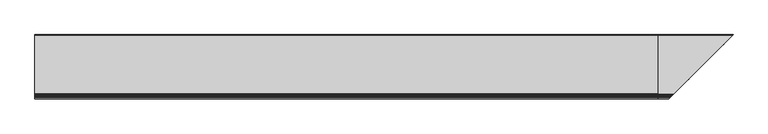
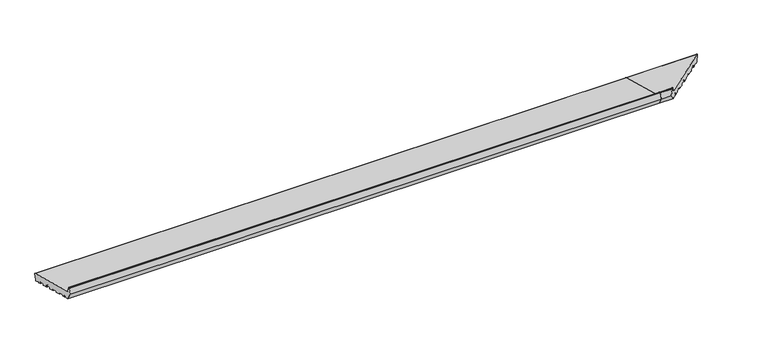
"""IFC4 building model written with IfcOpenShell, lengths in millimetres: proxy geometry."""

from ifc_helpers import new_model, si_unit, point, frame, frame_2d, origin, place, context, project, spatial, polyline, circle_curve, ellipse_curve, trimmed, segment, composite_curve, outline, extrude, source, transform, mapped, element, save
from ifc_brep_helpers import plane_surface, cylinder_surface, revolved_surface, advanced_brep


def generic_models_9e2a3a71(model_context):
    return source(origin(), model_context, "Body", "SolidModel", [
        advanced_brep(
        [(2631.0, 24.3497968, 5.5107678), (2631.0, 21.6330192, 6.2387261), (2631.0, 7.4647895, 14.8261724), (2631.0, 5.9805337, 14.2298107), (2631.0, 5.0312803, 10.6871487), (2631.0, 3.8065354, 9.9800419), (2631.0, -4.886797, 12.3094133), (2631.0, -5.5939038, 13.5341582), (2631.0, -4.5586276, 17.3978615), (2631.0, -5.2657344, 18.6226064), (2631.0, -28.4479542, 24.8342634), (2631.0, -29.6726991, 24.1271567), (2631.0, -30.7079753, 20.2634534), (2631.0, -31.9327202, 19.5563466), (2631.0, -54.1490142, 25.5091846), (2631.0, -54.856121, 26.7339295), (2631.0, -53.8208448, 30.5976328), (2631.0, -54.5279516, 31.8223777), (2631.0, -77.7101714, 38.0340347), (2631.0, -78.9349163, 37.326928), (2631.0, -79.9701924, 33.4632247), (2631.0, -81.1949373, 32.7561179), (2631.0, -103.4112313, 38.7089559), (2631.0, -104.1183381, 39.9337008), (2631.0, -103.0830619, 43.7974041), (2631.0, -103.7901687, 45.022149), (2631.0, -126.9723885, 51.233806), (2631.0, -128.1971334, 50.5266993), (2631.0, -129.2324096, 46.662996), (2631.0, -130.4571545, 45.9558892), (2631.0, -152.6734485, 51.9087272), (2631.0, -153.3805552, 53.1334721), (2631.0, -152.3452791, 56.9971754), (2631.0, -153.0523858, 58.2219203), (2631.0, -176.2346057, 64.4335773), (2631.0, -177.4593505, 63.7264706), (2631.0, -178.4946267, 59.8627673), (2631.0, -179.7193716, 59.1556605), (2631.0, -192.2764073, 62.5203081), (2631.0, -192.9835141, 63.7450529), (2631.0, -191.9482379, 67.6087562), (2631.0, -192.6553447, 68.8335011), (2631.0, -202.314603, 71.4216916), (2631.0, -203.5393479, 70.7145848), (2631.0, -204.574624, 66.8508815), (2631.0, -205.7993689, 66.1437747), (2631.0, -219.3223305, 69.7672413), (2631.0, -237.0, 100.3858631), (2631.0, -230.4291321, 124.908676), (2631.0, -228.9802434, 126.0204474), (2631.0, -225.6368689, 126.0204474), (2631.0, -224.1879801, 124.908676), (2631.0, -219.4052841, 107.0594112), (2631.0, -215.1626434, 102.8167705), (2631.0, 32.6320062, 36.4203942), (2631.0, 34.7533266, 32.7461596), (2631.0, 28.0240314, 7.6320881), (2941.0240314, 28.0240314, 7.6320881), (2937.3497968, 24.3497968, 5.5107678), (2947.7533266, 34.7533266, 32.7461596), (2945.6320062, 32.6320062, 36.4203942), (2697.8373566, -215.1626434, 102.8167705), (2693.5947159, -219.4052841, 107.0594112), (2688.8120199, -224.1879801, 124.908676), (2687.3631311, -225.6368689, 126.0204474), (2684.0197566, -228.9802434, 126.0204474), (2682.5708679, -230.4291321, 124.908676), (2676.0, -237.0, 100.3858631), (2693.6776695, -219.3223305, 69.7672413), (2707.2006311, -205.7993689, 66.1437747), (2708.425376, -204.574624, 66.8508815), (2709.4606521, -203.5393479, 70.7145848), (2710.685397, -202.314603, 71.4216916), (2720.3446553, -192.6553447, 68.8335011), (2721.0517621, -191.9482379, 67.6087562), (2720.0164859, -192.9835141, 63.7450529), (2720.7235927, -192.2764073, 62.5203081), (2733.2806284, -179.7193716, 59.1556605), (2734.5053733, -178.4946267, 59.8627673), (2735.5406495, -177.4593505, 63.7264706), (2736.7653943, -176.2346057, 64.4335773), (2934.6330192, 21.6330192, 6.2387261), (2759.9476142, -153.0523858, 58.2219203), (2760.3265515, -152.6734485, 51.9087272), (2759.6194448, -153.3805552, 53.1334721), (2760.6547209, -152.3452791, 56.9971754), (2782.5428455, -130.4571545, 45.9558892), (2783.7675904, -129.2324096, 46.662996), (2784.8028666, -128.1971334, 50.5266993), (2786.0276115, -126.9723885, 51.233806), (2809.2098313, -103.7901687, 45.022149), (2809.9169381, -103.0830619, 43.7974041), (2808.8816619, -104.1183381, 39.9337008), (2809.5887687, -103.4112313, 38.7089559), (2831.8050627, -81.1949373, 32.7561179), (2833.0298076, -79.9701924, 33.4632247), (2834.0650837, -78.9349163, 37.326928), (2835.2898286, -77.7101714, 38.0340347), (2858.4720484, -54.5279516, 31.8223777), (2859.1791552, -53.8208448, 30.5976328), (2858.143879, -54.856121, 26.7339295), (2858.8509858, -54.1490142, 25.5091846), (2881.0672798, -31.9327202, 19.5563466), (2882.2920247, -30.7079753, 20.2634534), (2883.3273009, -29.6726991, 24.1271567), (2884.5520458, -28.4479542, 24.8342634), (2907.7342656, -5.2657344, 18.6226064), (2908.4413724, -4.5586276, 17.3978615), (2907.4060962, -5.5939038, 13.5341582), (2908.113203, -4.886797, 12.3094133), (2916.8065354, 3.8065354, 9.9800419), (2918.0312803, 5.0312803, 10.6871487), (2918.9805337, 5.9805337, 14.2298107), (2920.4647895, 7.4647895, 14.8261724)],
        [
            (0, 1),
            (1, 2),
            (2, 3, circle_curve(frame((2631.0, 6.9464595, 13.9709917), z_axis=(1.0, 0.0, 0.0), x_axis=(0.0, 1.0, 0.0)), 1.0)),
            (3, 4),
            (4, 5, circle_curve(frame((2631.0, 4.0653544, 10.9459677), z_axis=(-1.0, 0.0, 0.0), x_axis=(0.0, 1.0, 0.0)), 1.0)),
            (5, 6),
            (6, 7, circle_curve(frame((2631.0, -4.627978, 13.2753391), z_axis=(-1.0, 0.0, 0.0), x_axis=(0.0, 1.0, 0.0)), 1.0)),
            (7, 8),
            (8, 9, circle_curve(frame((2631.0, -5.5245535, 17.6566805), z_axis=(1.0, 0.0, 0.0), x_axis=(0.0, 1.0, 0.0)), 1.0)),
            (9, 10),
            (10, 11, circle_curve(frame((2631.0, -28.7067733, 23.8683376), z_axis=(1.0, 0.0, 0.0), x_axis=(0.0, 1.0, 0.0)), 1.0)),
            (11, 12),
            (12, 13, circle_curve(frame((2631.0, -31.6739011, 20.5222724), z_axis=(-1.0, 0.0, 0.0), x_axis=(0.0, 1.0, 0.0)), 1.0)),
            (13, 14),
            (14, 15, circle_curve(frame((2631.0, -53.8901951, 26.4751104), z_axis=(-1.0, 0.0, 0.0), x_axis=(0.0, 1.0, 0.0)), 1.0)),
            (15, 16),
            (16, 17, circle_curve(frame((2631.0, -54.7867706, 30.8564518), z_axis=(1.0, 0.0, 0.0), x_axis=(0.0, 1.0, 0.0)), 1.0)),
            (17, 18),
            (18, 19, circle_curve(frame((2631.0, -77.9689904, 37.0681089), z_axis=(1.0, 0.0, 0.0), x_axis=(0.0, 1.0, 0.0)), 1.0)),
            (19, 20),
            (20, 21, circle_curve(frame((2631.0, -80.9361183, 33.7220437), z_axis=(-1.0, 0.0, 0.0), x_axis=(0.0, 1.0, 0.0)), 1.0)),
            (21, 22),
            (22, 23, circle_curve(frame((2631.0, -103.1524123, 39.6748817), z_axis=(-1.0, 0.0, 0.0), x_axis=(0.0, 1.0, 0.0)), 1.0)),
            (23, 24),
            (24, 25, circle_curve(frame((2631.0, -104.0489877, 44.0562231), z_axis=(1.0, 0.0, 0.0), x_axis=(0.0, 1.0, 0.0)), 1.0)),
            (25, 26),
            (26, 27, circle_curve(frame((2631.0, -127.2312076, 50.2678802), z_axis=(1.0, 0.0, 0.0), x_axis=(0.0, 1.0, 0.0)), 1.0)),
            (27, 28),
            (28, 29, circle_curve(frame((2631.0, -130.1983354, 46.921815), z_axis=(-1.0, 0.0, 0.0), x_axis=(0.0, 1.0, 0.0)), 1.0)),
            (29, 30),
            (30, 31, circle_curve(frame((2631.0, -152.4146294, 52.874653), z_axis=(-1.0, 0.0, 0.0), x_axis=(0.0, 1.0, 0.0)), 1.0)),
            (31, 32),
            (32, 33, circle_curve(frame((2631.0, -153.3112049, 57.2559944), z_axis=(1.0, 0.0, 0.0), x_axis=(0.0, 1.0, 0.0)), 1.0)),
            (33, 34),
            (34, 35, circle_curve(frame((2631.0, -176.4934247, 63.4676515), z_axis=(1.0, 0.0, 0.0), x_axis=(0.0, 1.0, 0.0)), 1.0)),
            (35, 36),
            (36, 37, circle_curve(frame((2631.0, -179.4605525, 60.1215863), z_axis=(-1.0, 0.0, 0.0), x_axis=(0.0, 1.0, 0.0)), 1.0)),
            (37, 38),
            (38, 39, circle_curve(frame((2631.0, -192.0175883, 63.4862339), z_axis=(-1.0, 0.0, 0.0), x_axis=(0.0, 1.0, 0.0)), 1.0)),
            (39, 40),
            (40, 41, circle_curve(frame((2631.0, -192.9141638, 67.8675753), z_axis=(1.0, 0.0, 0.0), x_axis=(0.0, 1.0, 0.0)), 1.0)),
            (41, 42),
            (42, 43, circle_curve(frame((2631.0, -202.573422, 70.4557657), z_axis=(1.0, 0.0, 0.0), x_axis=(0.0, 1.0, 0.0)), 1.0)),
            (43, 44),
            (44, 45, circle_curve(frame((2631.0, -205.5405499, 67.1097005), z_axis=(-1.0, 0.0, 0.0), x_axis=(0.0, 1.0, 0.0)), 1.0)),
            (45, 46),
            (46, 47),
            (47, 48),
            (48, 49, circle_curve(frame((2631.0, -228.9802434, 124.5204474), z_axis=(-1.0, 0.0, 0.0), x_axis=(0.0, 1.0, 0.0)), 1.5)),
            (49, 50),
            (50, 51, circle_curve(frame((2631.0, -225.6368689, 124.5204474), z_axis=(-1.0, 0.0, 0.0), x_axis=(0.0, 1.0, 0.0)), 1.5)),
            (51, 52),
            (52, 53, circle_curve(frame((2631.0, -213.6097291, 108.6123254), z_axis=(1.0, 0.0, 0.0), x_axis=(0.0, 1.0, 0.0)), 6.0)),
            (53, 54),
            (54, 55, circle_curve(frame((2631.0, 31.8555491, 33.5226168), z_axis=(-1.0, 0.0, 0.0), x_axis=(0.0, 1.0, 0.0)), 3.0)),
            (55, 56),
            (56, 0, circle_curve(frame((2631.0, 25.1262539, 8.4085453), z_axis=(-1.0, 0.0, 0.0), x_axis=(0.0, 1.0, 0.0)), 3.0)),
            (56, 57),
            (57, 58, ellipse_curve(frame((2938.1262539, 25.1262539, 8.4085453), z_axis=(-0.707106781186548, 0.7071067811865471, 0.0), x_axis=(0.707106781186547, 0.707106781186548, 0.0)), 4.2426407, 3.0)),
            (58, 0),
            (55, 59),
            (59, 57),
            (54, 60),
            (60, 59, ellipse_curve(frame((2944.8555491, 31.8555491, 33.5226168), z_axis=(-0.707106781186548, 0.7071067811865471, 0.0), x_axis=(0.707106781186547, 0.707106781186548, 0.0)), 4.2426407, 3.0)),
            (53, 61),
            (61, 60),
            (52, 62),
            (62, 61, ellipse_curve(frame((2699.3902709, -213.6097291, 108.6123254), z_axis=(0.707106781186548, -0.7071067811865471, 0.0), x_axis=(-0.707106781186547, -0.707106781186548, 0.0)), 8.4852814, 6.0)),
            (51, 63),
            (63, 62),
            (50, 64),
            (64, 63, ellipse_curve(frame((2687.3631311, -225.6368689, 124.5204474), z_axis=(-0.707106781186548, 0.7071067811865471, 0.0), x_axis=(0.707106781186547, 0.707106781186548, 0.0)), 2.1213203, 1.5)),
            (49, 65),
            (65, 64),
            (48, 66),
            (66, 65, ellipse_curve(frame((2684.0197566, -228.9802434, 124.5204474), z_axis=(-0.707106781186548, 0.7071067811865471, 0.0), x_axis=(0.707106781186547, 0.707106781186548, 0.0)), 2.1213203, 1.5)),
            (47, 67),
            (67, 66),
            (46, 68),
            (68, 67),
            (45, 69),
            (69, 68),
            (44, 70),
            (70, 69, ellipse_curve(frame((2707.4594501, -205.5405499, 67.1097005), z_axis=(-0.707106781186548, 0.7071067811865471, 0.0), x_axis=(0.707106781186547, 0.707106781186548, 0.0)), 1.4142136, 1.0)),
            (43, 71),
            (71, 70),
            (42, 72),
            (72, 71, ellipse_curve(frame((2710.426578, -202.573422, 70.4557657), z_axis=(0.707106781186548, -0.7071067811865471, 0.0), x_axis=(-0.707106781186547, -0.707106781186548, 0.0)), 1.4142136, 1.0)),
            (41, 73),
            (73, 72),
            (40, 74),
            (74, 73, ellipse_curve(frame((2720.0858362, -192.9141638, 67.8675753), z_axis=(0.707106781186548, -0.7071067811865471, 0.0), x_axis=(-0.707106781186547, -0.707106781186548, 0.0)), 1.4142136, 1.0)),
            (39, 75),
            (75, 74),
            (38, 76),
            (76, 75, ellipse_curve(frame((2720.9824117, -192.0175883, 63.4862339), z_axis=(-0.707106781186548, 0.7071067811865471, 0.0), x_axis=(0.707106781186547, 0.707106781186548, 0.0)), 1.4142136, 1.0)),
            (37, 77),
            (77, 76),
            (36, 78),
            (78, 77, ellipse_curve(frame((2733.5394475, -179.4605525, 60.1215863), z_axis=(-0.707106781186548, 0.7071067811865471, 0.0), x_axis=(0.707106781186547, 0.707106781186548, 0.0)), 1.4142136, 1.0)),
            (35, 79),
            (79, 78),
            (34, 80),
            (80, 79, ellipse_curve(frame((2736.5065753, -176.4934247, 63.4676515), z_axis=(0.707106781186548, -0.7071067811865471, 0.0), x_axis=(-0.707106781186547, -0.707106781186548, 0.0)), 1.4142136, 1.0)),
            (58, 81),
            (81, 1),
            (33, 82),
            (82, 80),
            (30, 83),
            (83, 84, ellipse_curve(frame((2760.5853706, -152.4146294, 52.874653), z_axis=(-0.707106781186548, 0.7071067811865471, 0.0), x_axis=(0.707106781186547, 0.707106781186548, 0.0)), 1.4142136, 1.0)),
            (84, 31),
            (84, 85),
            (85, 32),
            (85, 82, ellipse_curve(frame((2759.6887951, -153.3112049, 57.2559944), z_axis=(0.707106781186548, -0.7071067811865471, 0.0), x_axis=(-0.707106781186547, -0.707106781186548, 0.0)), 1.4142136, 1.0)),
            (29, 86),
            (86, 83),
            (28, 87),
            (87, 86, ellipse_curve(frame((2782.8016646, -130.1983354, 46.921815), z_axis=(-0.707106781186548, 0.7071067811865471, 0.0), x_axis=(0.707106781186547, 0.707106781186548, 0.0)), 1.4142136, 1.0)),
            (27, 88),
            (88, 87),
            (26, 89),
            (89, 88, ellipse_curve(frame((2785.7687924, -127.2312076, 50.2678802), z_axis=(0.707106781186548, -0.7071067811865471, 0.0), x_axis=(-0.707106781186547, -0.707106781186548, 0.0)), 1.4142136, 1.0)),
            (25, 90),
            (90, 89),
            (90, 91, ellipse_curve(frame((2808.9510123, -104.0489877, 44.0562231), z_axis=(-0.707106781186548, 0.7071067811865471, 0.0), x_axis=(-0.707106781186547, -0.707106781186548, 0.0)), 1.4142136, 1.0)),
            (91, 92),
            (92, 93, ellipse_curve(frame((2809.8475877, -103.1524123, 39.6748817), z_axis=(0.707106781186548, -0.7071067811865471, 0.0), x_axis=(0.707106781186547, 0.707106781186548, 0.0)), 1.4142136, 1.0)),
            (93, 94),
            (94, 95, ellipse_curve(frame((2832.0638817, -80.9361183, 33.7220437), z_axis=(0.707106781186548, -0.7071067811865471, 0.0), x_axis=(0.707106781186547, 0.707106781186548, 0.0)), 1.4142136, 1.0)),
            (95, 96),
            (96, 97, ellipse_curve(frame((2835.0310096, -77.9689904, 37.0681089), z_axis=(-0.707106781186548, 0.7071067811865471, 0.0), x_axis=(-0.707106781186547, -0.707106781186548, 0.0)), 1.4142136, 1.0)),
            (97, 98),
            (98, 99, ellipse_curve(frame((2858.2132294, -54.7867706, 30.8564518), z_axis=(-0.707106781186548, 0.7071067811865471, 0.0), x_axis=(-0.707106781186547, -0.707106781186548, 0.0)), 1.4142136, 1.0)),
            (99, 100),
            (100, 101, ellipse_curve(frame((2859.1098049, -53.8901951, 26.4751104), z_axis=(0.707106781186548, -0.7071067811865471, 0.0), x_axis=(0.707106781186547, 0.707106781186548, 0.0)), 1.4142136, 1.0)),
            (101, 102),
            (102, 103, ellipse_curve(frame((2881.3260989, -31.6739011, 20.5222724), z_axis=(0.707106781186548, -0.7071067811865471, 0.0), x_axis=(0.707106781186547, 0.707106781186548, 0.0)), 1.4142136, 1.0)),
            (103, 104),
            (104, 105, ellipse_curve(frame((2884.2932267, -28.7067733, 23.8683376), z_axis=(-0.707106781186548, 0.7071067811865471, 0.0), x_axis=(-0.707106781186547, -0.707106781186548, 0.0)), 1.4142136, 1.0)),
            (105, 106),
            (106, 107, ellipse_curve(frame((2907.4754465, -5.5245535, 17.6566805), z_axis=(-0.707106781186548, 0.7071067811865471, 0.0), x_axis=(-0.707106781186547, -0.707106781186548, 0.0)), 1.4142136, 1.0)),
            (107, 108),
            (108, 109, ellipse_curve(frame((2908.372022, -4.627978, 13.2753391), z_axis=(0.707106781186548, -0.7071067811865471, 0.0), x_axis=(0.707106781186547, 0.707106781186548, 0.0)), 1.4142136, 1.0)),
            (109, 110),
            (110, 111, ellipse_curve(frame((2917.0653544, 4.0653544, 10.9459677), z_axis=(0.707106781186548, -0.7071067811865471, 0.0), x_axis=(0.707106781186547, 0.707106781186548, 0.0)), 1.4142136, 1.0)),
            (111, 112),
            (112, 113, ellipse_curve(frame((2919.9464595, 6.9464595, 13.9709917), z_axis=(-0.707106781186548, 0.7071067811865471, 0.0), x_axis=(-0.707106781186547, -0.707106781186548, 0.0)), 1.4142136, 1.0)),
            (113, 81),
            (17, 98),
            (97, 18),
            (96, 19),
            (95, 20),
            (94, 21),
            (93, 22),
            (92, 23),
            (91, 24),
            (9, 106),
            (105, 10),
            (104, 11),
            (103, 12),
            (102, 13),
            (101, 14),
            (100, 15),
            (99, 16),
            (113, 2),
            (112, 3),
            (111, 4),
            (110, 5),
            (109, 6),
            (108, 7),
            (107, 8),
        ],
        [
            plane_surface(frame((2631.0, 0.0, 0.0), z_axis=(-1.0, 0.0, 0.0), x_axis=(0.0, 0.0, 1.0))),
            cylinder_surface(frame((2948.4826586, 25.1262539, 8.4085453), z_axis=(1.0, 0.0, 0.0), x_axis=(0.0, 1.0, 0.0)), 3.0),
            plane_surface(frame((2948.4826586, 34.7533266, 32.7461596), z_axis=(0.0, 0.9659258262890676, -0.2588190451025235), x_axis=(-1.0, 0.0, 0.0))),
            cylinder_surface(frame((2948.4826586, 31.8555491, 33.5226168), z_axis=(1.0, 0.0, 0.0), x_axis=(0.0, 1.0, 0.0)), 3.0),
            plane_surface(frame((2948.4826586, -215.1626434, 102.8167705), z_axis=(0.0, 0.2588190451025206, 0.9659258262890683), x_axis=(-1.0, 0.0, 0.0))),
            revolved_surface(polyline([(2631.0, -207.6097291, 108.6123254), (2705.390270918216, -207.6097291, 108.6123254)]), (2948.4826586, -213.6097291, 108.6123254), (-1.0, 0.0, 0.0)),
            plane_surface(frame((2948.4826586, -224.1879801, 124.908676), z_axis=(0.0, 0.96592582628907, 0.2588190451025146), x_axis=(-1.0, 0.0, 0.0))),
            cylinder_surface(frame((2948.4826586, -225.6368689, 124.5204474), z_axis=(1.0, 0.0, 0.0), x_axis=(0.0, 1.0, 0.0)), 1.5),
            plane_surface(frame((2948.4826586, -228.9802434, 126.0204474), z_axis=(0.0, 0.0, 1.0), x_axis=(-1.0, 0.0, 0.0))),
            cylinder_surface(frame((2948.4826586, -228.9802434, 124.5204474), z_axis=(1.0, 0.0, 0.0), x_axis=(0.0, 1.0, 0.0)), 1.5),
            plane_surface(frame((2948.4826586, -237.0, 100.3858631), z_axis=(0.0, -0.9659258262890683, 0.2588190451025209), x_axis=(-1.0, 0.0, 0.0))),
            plane_surface(frame((2948.4826586, -219.3223305, 69.7672413), z_axis=(0.0, -0.8660254037844384, -0.5000000000000007), x_axis=(-1.0, 0.0, 0.0))),
            plane_surface(frame((2948.4826586, -205.7993689, 66.1437747), z_axis=(0.0, -0.2588190451025184, -0.965925826289069), x_axis=(-1.0, 0.0, 0.0))),
            cylinder_surface(frame((2948.4826586, -205.5405499, 67.1097005), z_axis=(1.0, 0.0, 0.0), x_axis=(0.0, 1.0, 0.0)), 1.0),
            plane_surface(frame((2948.4826586, -203.5393479, 70.7145848), z_axis=(0.0, 0.9659258262890633, -0.25881904510253945), x_axis=(-1.0, 0.0, 0.0))),
            revolved_surface(polyline([(2631.0, -201.573422, 70.4557657), (2711.4265780266064, -201.573422, 70.4557657)]), (2948.4826586, -202.573422, 70.4557657), (-1.0, 0.0, 0.0)),
            plane_surface(frame((2948.4826586, -192.6553447, 68.8335011), z_axis=(0.0, -0.25881904510251835, -0.965925826289069), x_axis=(-1.0, 0.0, 0.0))),
            revolved_surface(polyline([(2631.0, -191.9141638, 67.8675753), (2721.0858362266063, -191.9141638, 67.8675753)]), (2948.4826586, -192.9141638, 67.8675753), (-1.0, 0.0, 0.0)),
            plane_surface(frame((2948.4826586, -192.9835141, 63.7450529), z_axis=(0.0, -0.9659258262890634, 0.2588190451025389), x_axis=(-1.0, 0.0, 0.0))),
            cylinder_surface(frame((2948.4826586, -192.0175883, 63.4862339), z_axis=(1.0, 0.0, 0.0), x_axis=(0.0, 1.0, 0.0)), 1.0),
            plane_surface(frame((2948.4826586, -179.7193716, 59.1556605), z_axis=(0.0, -0.2588190451025211, -0.9659258262890682), x_axis=(-1.0, 0.0, 0.0))),
            cylinder_surface(frame((2948.4826586, -179.4605525, 60.1215863), z_axis=(1.0, 0.0, 0.0), x_axis=(0.0, 1.0, 0.0)), 1.0),
            plane_surface(frame((2948.4826586, -177.4593505, 63.7264706), z_axis=(0.0, 0.9659258262890634, -0.2588190451025389), x_axis=(-1.0, 0.0, 0.0))),
            revolved_surface(polyline([(2631.0, -175.4934247, 63.4676515), (2737.5065753266063, -175.4934247, 63.4676515)]), (2948.4826586, -176.4934247, 63.4676515), (-1.0, 0.0, 0.0)),
            plane_surface(frame((2948.4826586, 24.3497968, 5.5107678), z_axis=(0.0, -0.2588190451025044, -0.9659258262890728), x_axis=(-1.0, 0.0, 0.0))),
            plane_surface(frame((2948.4826586, -153.0523858, 58.2219203), z_axis=(0.0, -0.2588190451025228, -0.9659258262890678), x_axis=(-1.0, 0.0, 0.0))),
            cylinder_surface(frame((2948.4826586, -152.4146294, 52.874653), z_axis=(1.0, 0.0, 0.0), x_axis=(0.0, 1.0, 0.0)), 1.0),
            plane_surface(frame((2948.4826586, -153.3805552, 53.1334721), z_axis=(0.0, -0.9659258262890634, 0.2588190451025389), x_axis=(-1.0, 0.0, 0.0))),
            revolved_surface(polyline([(2631.0, -152.3112049, 57.2559944), (2760.6887951266062, -152.3112049, 57.2559944)]), (2948.4826586, -153.3112049, 57.2559944), (-1.0, 0.0, 0.0)),
            plane_surface(frame((2948.4826586, -130.4571545, 45.9558892), z_axis=(0.0, -0.2588190451025197, -0.9659258262890685), x_axis=(-1.0, 0.0, 0.0))),
            cylinder_surface(frame((2948.4826586, -130.1983354, 46.921815), z_axis=(1.0, 0.0, 0.0), x_axis=(0.0, 1.0, 0.0)), 1.0),
            plane_surface(frame((2948.4826586, -128.1971334, 50.5266993), z_axis=(0.0, 0.9659258262890634, -0.2588190451025389), x_axis=(-1.0, 0.0, 0.0))),
            revolved_surface(polyline([(2631.0, -126.2312076, 50.2678802), (2786.7687924266065, -126.2312076, 50.2678802)]), (2948.4826586, -127.2312076, 50.2678802), (-1.0, 0.0, 0.0)),
            plane_surface(frame((2948.4826586, -103.7901687, 45.022149), z_axis=(0.0, -0.2588190451025182, -0.965925826289069), x_axis=(-1.0, 0.0, 0.0))),
            plane_surface(frame((2894.2588285, -18.7411715, 0.0), z_axis=(0.707106781186548, -0.7071067811865471, 0.0), x_axis=(0.0, 0.0, 1.0))),
            plane_surface(frame((2948.4826586, -54.5279516, 31.8223777), z_axis=(0.0, -0.2588190451025182, -0.965925826289069), x_axis=(-1.0, 0.0, 0.0))),
            revolved_surface(polyline([(2631.0, -76.9689904, 37.0681089), (2836.031009626606, -76.9689904, 37.0681089)]), (2948.4826586, -77.9689904, 37.0681089), (-1.0, 0.0, 0.0)),
            plane_surface(frame((2948.4826586, -78.9349163, 37.326928), z_axis=(0.0, 0.9659258262890623, -0.2588190451025431), x_axis=(-1.0, 0.0, 0.0))),
            cylinder_surface(frame((2948.4826586, -80.9361183, 33.7220437), z_axis=(1.0, 0.0, 0.0), x_axis=(0.0, 1.0, 0.0)), 1.0),
            plane_surface(frame((2948.4826586, -81.1949373, 32.7561179), z_axis=(0.0, -0.2588190451025201, -0.9659258262890685), x_axis=(-1.0, 0.0, 0.0))),
            cylinder_surface(frame((2948.4826586, -103.1524123, 39.6748817), z_axis=(1.0, 0.0, 0.0), x_axis=(0.0, 1.0, 0.0)), 1.0),
            plane_surface(frame((2948.4826586, -104.1183381, 39.9337008), z_axis=(0.0, -0.9659258262890634, 0.2588190451025389), x_axis=(-1.0, 0.0, 0.0))),
            revolved_surface(polyline([(2631.0, -103.0489877, 44.0562231), (2809.9510123266064, -103.0489877, 44.0562231)]), (2948.4826586, -104.0489877, 44.0562231), (-1.0, 0.0, 0.0)),
            plane_surface(frame((2948.4826586, -5.2657344, 18.6226064), z_axis=(0.0, -0.25881904510252035, -0.9659258262890684), x_axis=(-1.0, 0.0, 0.0))),
            revolved_surface(polyline([(2631.0, -27.7067733, 23.8683376), (2885.2932267266065, -27.7067733, 23.8683376)]), (2948.4826586, -28.7067733, 23.8683376), (-1.0, 0.0, 0.0)),
            plane_surface(frame((2948.4826586, -29.6726991, 24.1271567), z_axis=(0.0, 0.9659258262890703, -0.2588190451025135), x_axis=(-1.0, 0.0, 0.0))),
            cylinder_surface(frame((2948.4826586, -31.6739011, 20.5222724), z_axis=(1.0, 0.0, 0.0), x_axis=(0.0, 1.0, 0.0)), 1.0),
            plane_surface(frame((2948.4826586, -31.9327202, 19.5563466), z_axis=(0.0, -0.2588190451025211, -0.9659258262890682), x_axis=(-1.0, 0.0, 0.0))),
            cylinder_surface(frame((2948.4826586, -53.8901951, 26.4751104), z_axis=(1.0, 0.0, 0.0), x_axis=(0.0, 1.0, 0.0)), 1.0),
            plane_surface(frame((2948.4826586, -54.856121, 26.7339295), z_axis=(0.0, -0.9659258262890782, 0.2588190451024839), x_axis=(-1.0, 0.0, 0.0))),
            revolved_surface(polyline([(2631.0, -53.7867706, 30.8564518), (2859.213229426606, -53.7867706, 30.8564518)]), (2948.4826586, -54.7867706, 30.8564518), (-1.0, 0.0, 0.0)),
            plane_surface(frame((2948.4826586, 21.6330192, 6.2387261), z_axis=(0.0, -0.51832998343298, -0.8551806991942502), x_axis=(-1.0, 0.0, 0.0))),
            revolved_surface(polyline([(2631.0, 7.9464595, 13.9709917), (2920.9464595266063, 7.9464595, 13.9709917)]), (2948.4826586, 6.9464595, 13.9709917), (-1.0, 0.0, 0.0)),
            plane_surface(frame((2948.4826586, 5.9805337, 14.2298107), z_axis=(0.0, 0.9659258262890684, -0.2588190451025206), x_axis=(-1.0, 0.0, 0.0))),
            cylinder_surface(frame((2948.4826586, 4.0653544, 10.9459677), z_axis=(1.0, 0.0, 0.0), x_axis=(0.0, 1.0, 0.0)), 1.0),
            plane_surface(frame((2948.4826586, 3.8065354, 9.9800419), z_axis=(0.0, -0.2588190451025218, -0.9659258262890681), x_axis=(-1.0, 0.0, 0.0))),
            cylinder_surface(frame((2948.4826586, -4.627978, 13.2753391), z_axis=(1.0, 0.0, 0.0), x_axis=(0.0, 1.0, 0.0)), 1.0),
            plane_surface(frame((2948.4826586, -5.5939038, 13.5341582), z_axis=(0.0, -0.9659258262890701, 0.25881904510251386), x_axis=(-1.0, 0.0, 0.0))),
            revolved_surface(polyline([(2631.0, -4.5245535, 17.6566805), (2908.4754465266064, -4.5245535, 17.6566805)]), (2948.4826586, -5.5245535, 17.6566805), (-1.0, 0.0, 0.0)),
        ],
        [
            (0, [[1, 2, 3, 4, 5, 6, 7, 8, 9, 10, 11, 12, 13, 14, 15, 16, 17, 18, 19, 20, 21, 22, 23, 24, 25, 26, 27, 28, 29, 30, 31, 32, 33, 34, 35, 36, 37, 38, 39, 40, 41, 42, 43, 44, 45, 46, 47, 48, 49, 50, 51, 52, 53, 54, 55, 56, 57]]),
            (1, [[58, 59, 60, -57]]),
            (2, [[61, 62, -58, -56]]),
            (3, [[63, 64, -61, -55]]),
            (4, [[65, 66, -63, -54]]),
            (5, [[67, 68, -65, -53]]),
            (6, [[69, 70, -67, -52]]),
            (7, [[71, 72, -69, -51]]),
            (8, [[73, 74, -71, -50]]),
            (9, [[75, 76, -73, -49]]),
            (10, [[77, 78, -75, -48]]),
            (11, [[79, 80, -77, -47]]),
            (12, [[81, 82, -79, -46]]),
            (13, [[83, 84, -81, -45]]),
            (14, [[85, 86, -83, -44]]),
            (15, [[87, 88, -85, -43]]),
            (16, [[89, 90, -87, -42]]),
            (17, [[91, 92, -89, -41]]),
            (18, [[93, 94, -91, -40]]),
            (19, [[95, 96, -93, -39]]),
            (20, [[97, 98, -95, -38]]),
            (21, [[99, 100, -97, -37]]),
            (22, [[101, 102, -99, -36]]),
            (23, [[103, 104, -101, -35]]),
            (24, [[-60, 105, 106, -1]]),
            (25, [[107, 108, -103, -34]]),
            (26, [[109, 110, 111, -31]]),
            (27, [[-111, 112, 113, -32]]),
            (28, [[-113, 114, -107, -33]]),
            (29, [[115, 116, -109, -30]]),
            (30, [[117, 118, -115, -29]]),
            (31, [[119, 120, -117, -28]]),
            (32, [[121, 122, -119, -27]]),
            (33, [[123, 124, -121, -26]]),
            (34, [[-62, -64, -66, -68, -70, -72, -74, -76, -78, -80, -82, -84, -86, -88, -90, -92, -94, -96, -98, -100, -102, -104, -108, -114, -112, -110, -116, -118, -120, -122, -124, 125, 126, 127, 128, 129, 130, 131, 132, 133, 134, 135, 136, 137, 138, 139, 140, 141, 142, 143, 144, 145, 146, 147, 148, -105, -59]]),
            (35, [[149, -132, 150, -18]]),
            (36, [[-150, -131, 151, -19]]),
            (37, [[-151, -130, 152, -20]]),
            (38, [[-152, -129, 153, -21]]),
            (39, [[-153, -128, 154, -22]]),
            (40, [[-154, -127, 155, -23]]),
            (41, [[-155, -126, 156, -24]]),
            (42, [[-156, -125, -123, -25]]),
            (43, [[157, -140, 158, -10]]),
            (44, [[-158, -139, 159, -11]]),
            (45, [[-159, -138, 160, -12]]),
            (46, [[-160, -137, 161, -13]]),
            (47, [[-161, -136, 162, -14]]),
            (48, [[-162, -135, 163, -15]]),
            (49, [[-163, -134, 164, -16]]),
            (50, [[-164, -133, -149, -17]]),
            (51, [[-106, -148, 165, -2]]),
            (52, [[-165, -147, 166, -3]]),
            (53, [[-166, -146, 167, -4]]),
            (54, [[-167, -145, 168, -5]]),
            (55, [[-168, -144, 169, -6]]),
            (56, [[-169, -143, 170, -7]]),
            (57, [[-170, -142, 171, -8]]),
            (58, [[-171, -141, -157, -9]]),
        ],
    ),
        extrude(outline(composite_curve([segment(polyline([(24.3497968, 5.5107678), (21.6330192, 6.2387261), (7.4647895, 14.8261724)]), True, "CONTINUOUS"), segment(trimmed(circle_curve(frame_2d((6.9464595, 13.9709917)), 1.0), [point((7.4647895, 14.8261724))], [point((5.9805337, 14.2298107))], True, "CARTESIAN"), True, "CONTINUOUS"), segment(polyline([(5.9805337, 14.2298107), (5.0312803, 10.6871487)]), True, "CONTINUOUS"), segment(trimmed(circle_curve(frame_2d((4.0653544, 10.9459677)), 1.0), [point((5.0312803, 10.6871487))], [point((3.8065354, 9.9800419))], False, "CARTESIAN"), True, "CONTINUOUS"), segment(polyline([(3.8065354, 9.9800419), (-4.886797, 12.3094133)]), True, "CONTINUOUS"), segment(trimmed(circle_curve(frame_2d((-4.627978, 13.2753391)), 1.0), [point((-4.886797, 12.3094133))], [point((-5.5939038, 13.5341582))], False, "CARTESIAN"), True, "CONTINUOUS"), segment(polyline([(-5.5939038, 13.5341582), (-4.5586276, 17.3978615)]), True, "CONTINUOUS"), segment(trimmed(circle_curve(frame_2d((-5.5245535, 17.6566805)), 1.0), [point((-4.5586276, 17.3978615))], [point((-5.2657344, 18.6226064))], True, "CARTESIAN"), True, "CONTINUOUS"), segment(polyline([(-5.2657344, 18.6226064), (-28.4479542, 24.8342634)]), True, "CONTINUOUS"), segment(trimmed(circle_curve(frame_2d((-28.7067733, 23.8683376)), 1.0), [point((-28.4479542, 24.8342634))], [point((-29.6726991, 24.1271567))], True, "CARTESIAN"), True, "CONTINUOUS"), segment(polyline([(-29.6726991, 24.1271567), (-30.7079753, 20.2634534)]), True, "CONTINUOUS"), segment(trimmed(circle_curve(frame_2d((-31.6739011, 20.5222724)), 1.0), [point((-30.7079753, 20.2634534))], [point((-31.9327202, 19.5563466))], False, "CARTESIAN"), True, "CONTINUOUS"), segment(polyline([(-31.9327202, 19.5563466), (-54.1490142, 25.5091846)]), True, "CONTINUOUS"), segment(trimmed(circle_curve(frame_2d((-53.8901951, 26.4751104)), 1.0), [point((-54.1490142, 25.5091846))], [point((-54.856121, 26.7339295))], False, "CARTESIAN"), True, "CONTINUOUS"), segment(polyline([(-54.856121, 26.7339295), (-53.8208448, 30.5976328)]), True, "CONTINUOUS"), segment(trimmed(circle_curve(frame_2d((-54.7867706, 30.8564518)), 1.0), [point((-53.8208448, 30.5976328))], [point((-54.5279516, 31.8223777))], True, "CARTESIAN"), True, "CONTINUOUS"), segment(polyline([(-54.5279516, 31.8223777), (-77.7101714, 38.0340347)]), True, "CONTINUOUS"), segment(trimmed(circle_curve(frame_2d((-77.9689904, 37.0681089)), 1.0), [point((-77.7101714, 38.0340347))], [point((-78.9349163, 37.326928))], True, "CARTESIAN"), True, "CONTINUOUS"), segment(polyline([(-78.9349163, 37.326928), (-79.9701924, 33.4632247)]), True, "CONTINUOUS"), segment(trimmed(circle_curve(frame_2d((-80.9361183, 33.7220437)), 1.0), [point((-79.9701924, 33.4632247))], [point((-81.1949373, 32.7561179))], False, "CARTESIAN"), True, "CONTINUOUS"), segment(polyline([(-81.1949373, 32.7561179), (-103.4112313, 38.7089559)]), True, "CONTINUOUS"), segment(trimmed(circle_curve(frame_2d((-103.1524123, 39.6748817)), 1.0), [point((-103.4112313, 38.7089559))], [point((-104.1183381, 39.9337008))], False, "CARTESIAN"), True, "CONTINUOUS"), segment(polyline([(-104.1183381, 39.9337008), (-103.0830619, 43.7974041)]), True, "CONTINUOUS"), segment(trimmed(circle_curve(frame_2d((-104.0489877, 44.0562231)), 1.0), [point((-103.0830619, 43.7974041))], [point((-103.7901687, 45.022149))], True, "CARTESIAN"), True, "CONTINUOUS"), segment(polyline([(-103.7901687, 45.022149), (-126.9723885, 51.233806)]), True, "CONTINUOUS"), segment(trimmed(circle_curve(frame_2d((-127.2312076, 50.2678802)), 1.0), [point((-126.9723885, 51.233806))], [point((-128.1971334, 50.5266993))], True, "CARTESIAN"), True, "CONTINUOUS"), segment(polyline([(-128.1971334, 50.5266993), (-129.2324096, 46.662996)]), True, "CONTINUOUS"), segment(trimmed(circle_curve(frame_2d((-130.1983354, 46.921815)), 1.0), [point((-129.2324096, 46.662996))], [point((-130.4571545, 45.9558892))], False, "CARTESIAN"), True, "CONTINUOUS"), segment(polyline([(-130.4571545, 45.9558892), (-152.6734485, 51.9087272)]), True, "CONTINUOUS"), segment(trimmed(circle_curve(frame_2d((-152.4146294, 52.874653)), 1.0), [point((-152.6734485, 51.9087272))], [point((-153.3805552, 53.1334721))], False, "CARTESIAN"), True, "CONTINUOUS"), segment(polyline([(-153.3805552, 53.1334721), (-152.3452791, 56.9971754)]), True, "CONTINUOUS"), segment(trimmed(circle_curve(frame_2d((-153.3112049, 57.2559944)), 1.0), [point((-152.3452791, 56.9971754))], [point((-153.0523858, 58.2219203))], True, "CARTESIAN"), True, "CONTINUOUS"), segment(polyline([(-153.0523858, 58.2219203), (-176.2346057, 64.4335773)]), True, "CONTINUOUS"), segment(trimmed(circle_curve(frame_2d((-176.4934247, 63.4676515)), 1.0), [point((-176.2346057, 64.4335773))], [point((-177.4593505, 63.7264706))], True, "CARTESIAN"), True, "CONTINUOUS"), segment(polyline([(-177.4593505, 63.7264706), (-178.4946267, 59.8627673)]), True, "CONTINUOUS"), segment(trimmed(circle_curve(frame_2d((-179.4605525, 60.1215863)), 1.0), [point((-178.4946267, 59.8627673))], [point((-179.7193716, 59.1556605))], False, "CARTESIAN"), True, "CONTINUOUS"), segment(polyline([(-179.7193716, 59.1556605), (-192.2764073, 62.5203081)]), True, "CONTINUOUS"), segment(trimmed(circle_curve(frame_2d((-192.0175883, 63.4862339)), 1.0), [point((-192.2764073, 62.5203081))], [point((-192.9835141, 63.7450529))], False, "CARTESIAN"), True, "CONTINUOUS"), segment(polyline([(-192.9835141, 63.7450529), (-191.9482379, 67.6087562)]), True, "CONTINUOUS"), segment(trimmed(circle_curve(frame_2d((-192.9141638, 67.8675753)), 1.0), [point((-191.9482379, 67.6087562))], [point((-192.6553447, 68.8335011))], True, "CARTESIAN"), True, "CONTINUOUS"), segment(polyline([(-192.6553447, 68.8335011), (-202.314603, 71.4216916)]), True, "CONTINUOUS"), segment(trimmed(circle_curve(frame_2d((-202.573422, 70.4557657)), 1.0), [point((-202.314603, 71.4216916))], [point((-203.5393479, 70.7145848))], True, "CARTESIAN"), True, "CONTINUOUS"), segment(polyline([(-203.5393479, 70.7145848), (-204.574624, 66.8508815)]), True, "CONTINUOUS"), segment(trimmed(circle_curve(frame_2d((-205.5405499, 67.1097005)), 1.0), [point((-204.574624, 66.8508815))], [point((-205.7993689, 66.1437747))], False, "CARTESIAN"), True, "CONTINUOUS"), segment(polyline([(-205.7993689, 66.1437747), (-219.3223305, 69.7672413), (-237.0, 100.3858631), (-230.4291321, 124.908676)]), True, "CONTINUOUS"), segment(trimmed(circle_curve(frame_2d((-228.9802434, 124.5204474)), 1.5), [point((-230.4291321, 124.908676))], [point((-228.9802434, 126.0204474))], False, "CARTESIAN"), True, "CONTINUOUS"), segment(polyline([(-228.9802434, 126.0204474), (-225.6368689, 126.0204474)]), True, "CONTINUOUS"), segment(trimmed(circle_curve(frame_2d((-225.6368689, 124.5204474)), 1.5), [point((-225.6368689, 126.0204474))], [point((-224.1879801, 124.908676))], False, "CARTESIAN"), True, "CONTINUOUS"), segment(polyline([(-224.1879801, 124.908676), (-219.4052841, 107.0594112)]), True, "CONTINUOUS"), segment(trimmed(circle_curve(frame_2d((-213.6097291, 108.6123254)), 6.0), [point((-219.4052841, 107.0594112))], [point((-215.1626434, 102.8167705))], True, "CARTESIAN"), True, "CONTINUOUS"), segment(polyline([(-215.1626434, 102.8167705), (32.6320062, 36.4203942)]), True, "CONTINUOUS"), segment(trimmed(circle_curve(frame_2d((31.8555491, 33.5226168)), 3.0), [point((32.6320062, 36.4203942))], [point((34.7533266, 32.7461596))], False, "CARTESIAN"), True, "CONTINUOUS"), segment(polyline([(34.7533266, 32.7461596), (28.0240314, 7.6320881)]), True, "CONTINUOUS"), segment(trimmed(circle_curve(frame_2d((25.1262539, 8.4085453)), 3.0), [point((28.0240314, 7.6320881))], [point((24.3497968, 5.5107678))], False, "CARTESIAN"), True, "CONTINUOUS")], self_intersect=False)), frame((0.0, 0.0, 0.0), z_axis=(1.0, 0.0, 0.0), x_axis=(0.0, 1.0, 0.0)), (0.0, 0.0, 1.0), 2631.0),
    ])


if __name__ == "__main__":
    model = new_model("IFC4")
    model_context = context("Model", 3, world=origin())
    ifc_project = project(units=[si_unit("LENGTHUNIT", "METRE", prefix="MILLI")], contexts=[model_context])
    site = spatial("IfcSite", under=ifc_project)
    building = spatial("IfcBuilding", under=site)
    placement = place(None, origin())
    generic_models_shape = generic_models_9e2a3a71(model_context)
    element("IfcBuildingElementProxy", 1, Name="Generic Models", at=placement, inside=building, context=model_context, shape_type="MappedRepresentation", body=[
        mapped(generic_models_shape, transform((0.0, 0.0, 0.0), x_axis=(1.0, 0.0, 0.0), y_axis=(0.0, 1.0, 0.0), z_axis=(0.0, 0.0, 1.0))),
    ])
    save(model, "model.ifc")
